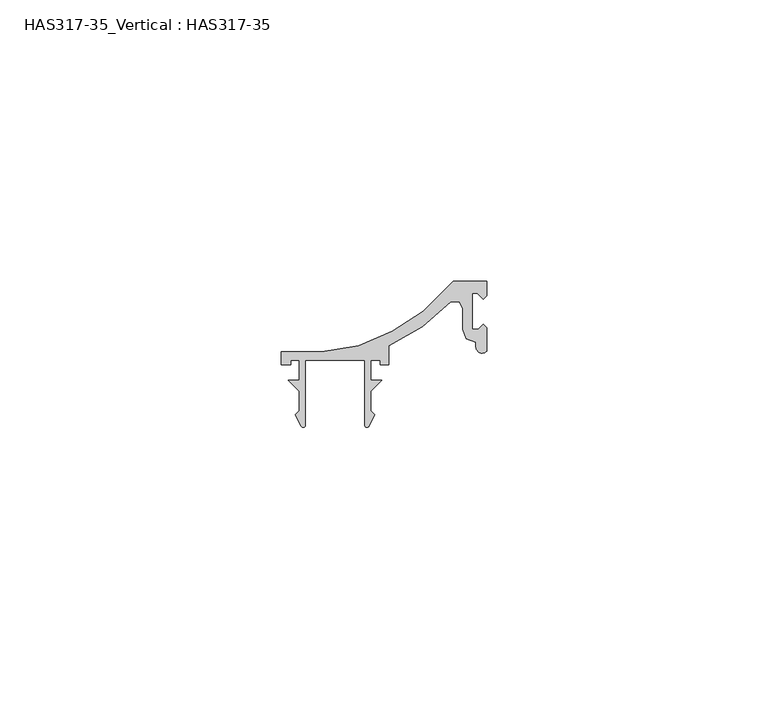
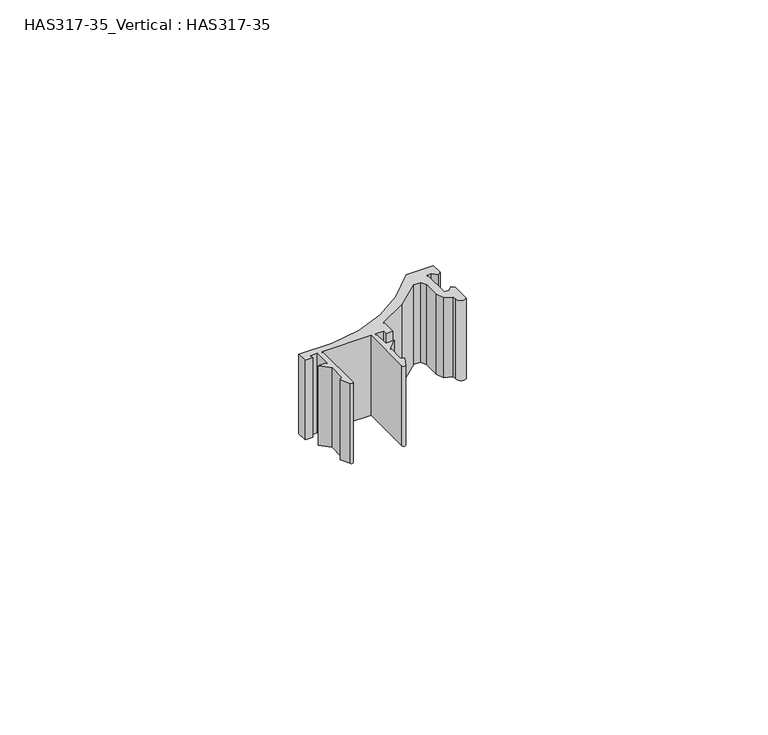
"""IFC4 building model written with IfcOpenShell, lengths in millimetres: beam geometry, HAS317-35_Vertical : HAS317-35."""

from ifc_helpers import new_model, si_unit, point, frame, frame_2d, origin, place, context, project, spatial, polyline, circle_curve, trimmed, segment, composite_curve, outline, extrude, source, transform, mapped, element, save


def has317_35_vertical_has317_35_50eeb2ed(model_context):
    return source(origin(), model_context, "Body", "SweptSolid", [
        extrude(outline(composite_curve([segment(polyline([(-9.5498392, 13.4539909), (-2.3344051, 13.4539909), (4.244373, 14.5150842), (10.1864952, 17.061708), (15.7041801, 20.669425), (21.0096463, 25.9748913), (26.9517685, 25.9748913), (26.9517685, 23.4282675), (26.3151125, 22.7916115), (25.2540193, 23.8527048), (24.4051447, 23.8527048), (24.4051447, 17.4861453), (25.4662379, 17.4861453), (26.3151125, 18.3350199), (26.9517685, 17.6983639), (26.9517685, 13.5866276)]), True, "CONTINUOUS"), segment(trimmed(circle_curve(frame_2d((26.1310792, 14.3028655)), 1.0892785), [point((26.9517685, 13.5866276))], [point((25.0418006, 14.3028655))], False, "CARTESIAN"), True, "CONTINUOUS"), segment(polyline([(25.0418006, 14.3028655), (25.0418006, 15.1517401), (23.3440514, 15.7883961), (22.7073955, 17.4861453), (22.7073955, 21.0938623), (22.0707395, 22.3671742), (20.585209, 22.3671742), (15.4919614, 17.9105826), (9.5498392, 14.5150842), (9.5498392, 11.1195858), (8.0643087, 11.1195858), (8.0643087, 11.9684604), (6.3665595, 11.9684604), (6.3665595, 8.3607434), (8.2765273, 8.3607434), (6.3665595, 6.4507755), (6.3665595, 2.9300613), (7.0322164, 2.2644044), (6.0015751, 0.2031218)]), True, "CONTINUOUS"), segment(trimmed(circle_curve(frame_2d((5.6729171, 0.3674508)), 0.3674508), [point((6.0015751, 0.2031218))], [point((5.3054662, 0.3674508))], False, "CARTESIAN"), True, "CONTINUOUS"), segment(polyline([(5.3054662, 0.3674508), (5.3054662, 11.9684604), (-5.3054662, 11.9684604), (-5.3054662, 0.3674508)]), True, "CONTINUOUS"), segment(trimmed(circle_curve(frame_2d((-5.6729171, 0.3674508)), 0.3674508), [point((-5.3054662, 0.3674508))], [point((-6.0015751, 0.2031218))], False, "CARTESIAN"), True, "CONTINUOUS"), segment(polyline([(-6.0015751, 0.2031218), (-7.0322164, 2.2644044), (-6.3665595, 2.9300613), (-6.3665595, 6.4507755), (-8.2765273, 8.3607434), (-6.3665595, 8.3607434), (-6.3665595, 11.9684604), (-7.85209, 11.9684604), (-7.85209, 11.1195858), (-9.5498392, 11.1195858), (-9.5498392, 13.4539909)]), True, "CONTINUOUS")], self_intersect=False)), frame((0.0, 0.0, -9.1507579), z_axis=(0.0, 0.0, 1.0), x_axis=(1.0, 0.0, 0.0)), (0.0, 0.0, 1.0), 18.3015158),
    ])


if __name__ == "__main__":
    model = new_model("IFC4")
    model_context = context("Model", 3, world=origin())
    ifc_project = project(units=[si_unit("LENGTHUNIT", "METRE", prefix="MILLI")], contexts=[model_context])
    site = spatial("IfcSite", under=ifc_project)
    building = spatial("IfcBuilding", under=site)
    placement = place(None, origin())
    has317_35_vertical_has317_35_shape = has317_35_vertical_has317_35_50eeb2ed(model_context)
    element("IfcBeam", 1, ObjectType="HAS317-35_Vertical : HAS317-35", at=placement, inside=building, context=model_context, shape_type="MappedRepresentation", body=[
        mapped(has317_35_vertical_has317_35_shape, transform((0.0, 0.0, 0.0), x_axis=(1.0, 0.0, 0.0), y_axis=(0.0, 1.0, 0.0), z_axis=(0.0, 0.0, 1.0))),
    ])
    save(model, "model.ifc")
